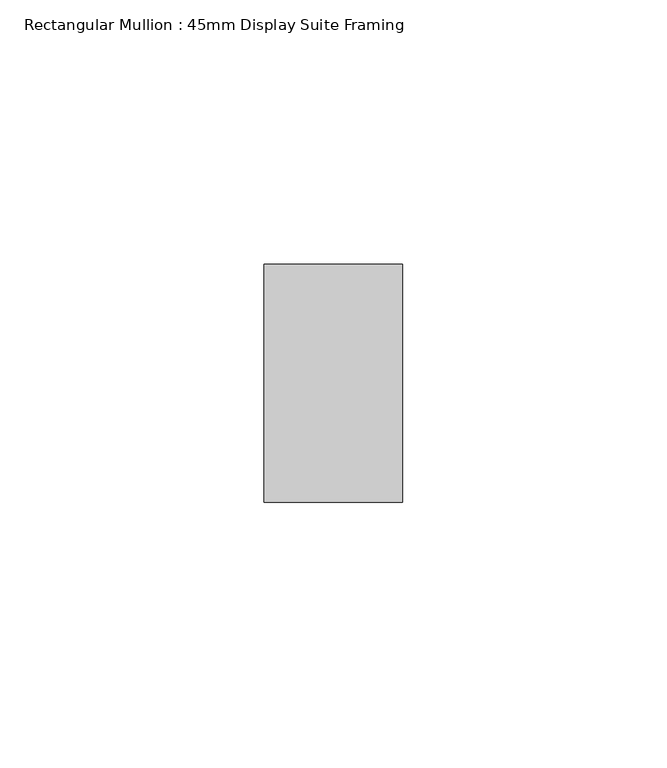
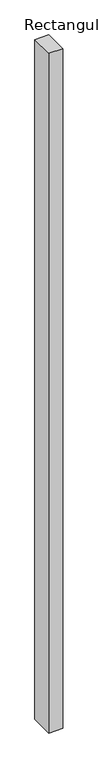
"""IFC4 building model written with IfcOpenShell, lengths in millimetres: member geometry, Rectangular Mullion : 45mm Display Suite Framing."""

from ifc_helpers import new_model, si_unit, frame, origin, place, context, project, spatial, polyline, outline, extrude, source, transform, mapped, element, save


def rectangular_mullion_45mm_display_suite_framing_7b9e995e(model_context):
    return source(origin(), model_context, "Body", "SweptSolid", [
        extrude(outline(polyline([(13.1, 22.5), (13.1, -22.5), (-13.1, -22.5), (-13.1, 22.5), (13.1, 22.5)])), frame((0.0, 0.0, -1340.0), z_axis=(0.0, 0.0, 1.0), x_axis=(1.0, 0.0, 0.0)), (0.0, 0.0, 1.0), 1340.0),
    ])


if __name__ == "__main__":
    model = new_model("IFC4")
    model_context = context("Model", 3, world=origin())
    ifc_project = project(units=[si_unit("LENGTHUNIT", "METRE", prefix="MILLI")], contexts=[model_context])
    site = spatial("IfcSite", under=ifc_project)
    building = spatial("IfcBuilding", under=site)
    placement = place(None, origin())
    rectangular_mullion_45mm_display_suite_framing_shape = rectangular_mullion_45mm_display_suite_framing_7b9e995e(model_context)
    element("IfcMember", 1, ObjectType="Rectangular Mullion : 45mm Display Suite Framing", at=placement, inside=building, context=model_context, shape_type="MappedRepresentation", body=[
        mapped(rectangular_mullion_45mm_display_suite_framing_shape, transform((0.0, 0.0, 0.0), x_axis=(1.0, 0.0, 0.0), y_axis=(0.0, 1.0, 0.0), z_axis=(0.0, 0.0, 1.0))),
    ])
    save(model, "model.ifc")
